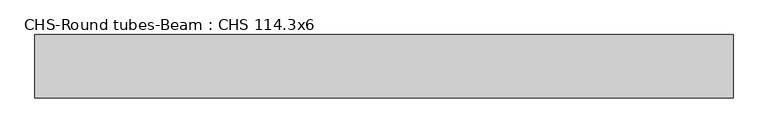
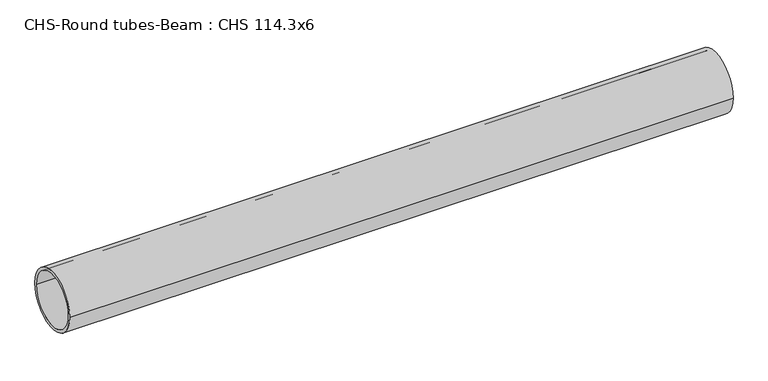
"""IFC4 building model written with IfcOpenShell, lengths in millimetres: beam geometry, CHS-Round tubes-Beam : CHS 114.3x6."""

from ifc_helpers import new_model, si_unit, point, frame, origin, origin_2d, place, context, project, spatial, circle_curve, trimmed, segment, composite_curve, outline, extrude, source, transform, mapped, element, save


def chs_round_tubes_beam_chs_114_3x6_779cf9f4(model_context):
    return source(origin(), model_context, "Body", "SweptSolid", [
        extrude(outline(composite_curve([segment(trimmed(circle_curve(origin_2d(), 57.15), [point((57.15, 0.0))], [point((-57.15, 0.0))], False, "CARTESIAN"), True, "CONTINUOUS"), segment(trimmed(circle_curve(origin_2d(), 57.15), [point((-57.15, 0.0))], [point((57.15, 0.0))], False, "CARTESIAN"), True, "CONTINUOUS")], self_intersect=False), holes=[composite_curve([segment(trimmed(circle_curve(origin_2d(), 51.15), [point((51.15, 0.0))], [point((-51.15, 0.0))], True, "CARTESIAN"), True, "CONTINUOUS"), segment(trimmed(circle_curve(origin_2d(), 51.15), [point((-51.15, 0.0))], [point((51.15, 0.0))], True, "CARTESIAN"), True, "CONTINUOUS")], self_intersect=False)]), frame((-627.9730335, 0.0, 0.0), z_axis=(1.0, 0.0, 0.0), x_axis=(0.0, 1.0, 0.0)), (0.0, 0.0, 1.0), 1255.9460669),
    ])


if __name__ == "__main__":
    model = new_model("IFC4")
    model_context = context("Model", 3, world=origin())
    ifc_project = project(units=[si_unit("LENGTHUNIT", "METRE", prefix="MILLI")], contexts=[model_context])
    site = spatial("IfcSite", under=ifc_project)
    building = spatial("IfcBuilding", under=site)
    placement = place(None, origin())
    chs_round_tubes_beam_chs_114_3x6_shape = chs_round_tubes_beam_chs_114_3x6_779cf9f4(model_context)
    element("IfcBeam", 1, ObjectType="CHS-Round tubes-Beam : CHS 114.3x6", at=placement, inside=building, context=model_context, shape_type="MappedRepresentation", body=[
        mapped(chs_round_tubes_beam_chs_114_3x6_shape, transform((0.0, 0.0, 0.0), x_axis=(1.0, 0.0, 0.0), y_axis=(0.0, 1.0, 0.0), z_axis=(0.0, 0.0, 1.0))),
    ])
    save(model, "model.ifc")
